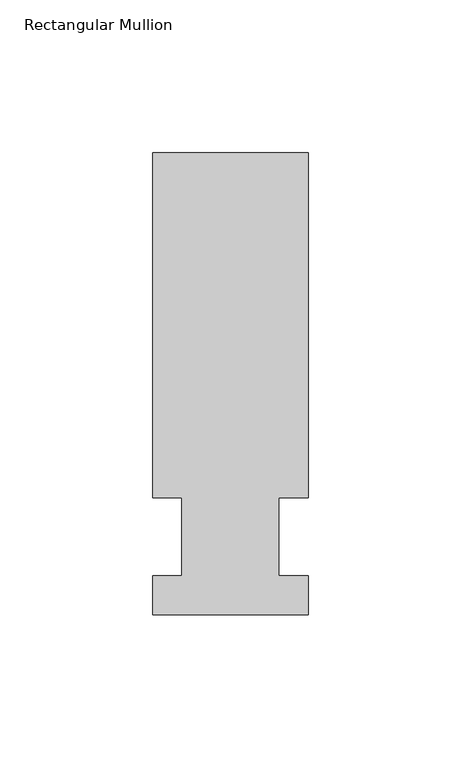
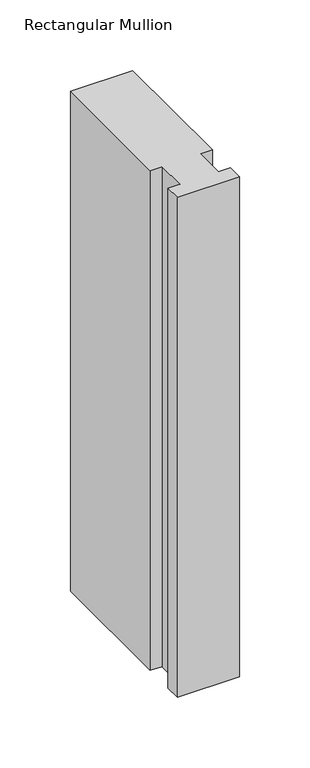
"""IFC4 building model written with IfcOpenShell, lengths in millimetres: member geometry, Rectangular Mullion."""

from ifc_helpers import new_model, si_unit, frame, origin, place, context, project, spatial, polyline, outline, extrude, source, transform, mapped, element, save


def rectangular_mullion_984eccf1(model_context):
    return source(origin(), model_context, "Body", "SweptSolid", [
        extrude(outline(polyline([(-25.4, -25.5984375), (-25.4, -12.7), (-15.875, -12.7), (-15.875, 12.7), (-25.4, 12.7), (-25.4, 125.6109375), (25.4, 125.6109375), (25.4, 12.7), (15.875, 12.7), (15.875, -12.7), (25.4, -12.7), (25.4, -25.5984375), (-25.4, -25.5984375)])), frame((0.0, 0.0, -431.8), z_axis=(0.0, 0.0, 1.0), x_axis=(1.0, 0.0, 0.0)), (0.0, 0.0, 1.0), 431.8),
    ])


if __name__ == "__main__":
    model = new_model("IFC4")
    model_context = context("Model", 3, world=origin())
    ifc_project = project(units=[si_unit("LENGTHUNIT", "METRE", prefix="MILLI")], contexts=[model_context])
    site = spatial("IfcSite", under=ifc_project)
    building = spatial("IfcBuilding", under=site)
    placement = place(None, origin())
    rectangular_mullion_shape = rectangular_mullion_984eccf1(model_context)
    element("IfcMember", 1, ObjectType="Rectangular Mullion", at=placement, inside=building, context=model_context, shape_type="MappedRepresentation", body=[
        mapped(rectangular_mullion_shape, transform((0.0, 0.0, 0.0), x_axis=(1.0, 0.0, 0.0), y_axis=(0.0, 1.0, 0.0), z_axis=(0.0, 0.0, 1.0))),
    ])
    save(model, "model.ifc")
